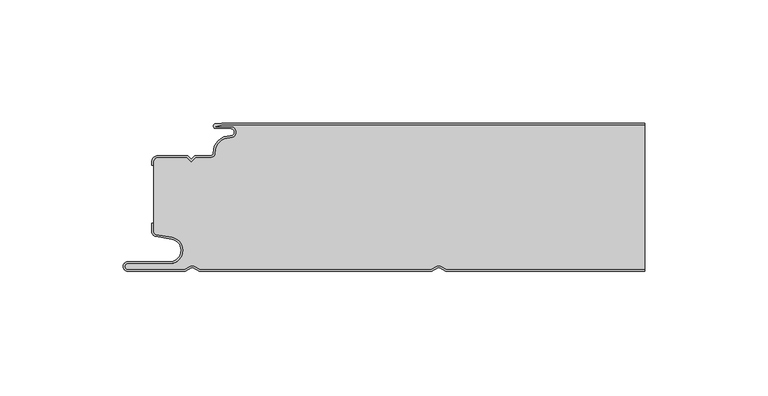
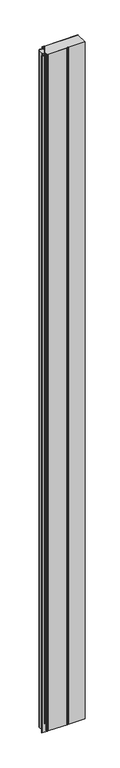
"""IFC4 building model written with IfcOpenShell, lengths in millimetres: plate geometry."""

from ifc_helpers import new_model, si_unit, point, frame, frame_2d, origin, origin_with_axes, place, context, project, spatial, polyline, circle_curve, trimmed, segment, composite_curve, outline, extrude, source, transform, mapped, element, save
from ifc_brep_helpers import plane_surface, cylinder_surface, revolved_surface, advanced_brep


def plate_904924c8(model_context):
    return source(origin(), model_context, "Body", "SolidModel", [
        advanced_brep(
        [(-71.6637731, -0.8, 3500.0), (-74.0000003, -1.3234618, 3500.0), (-68.0000003, -1.3234618, 3500.0), (-68.1134423, -5.9206625, 3500.0), (-74.1919837, -12.028303, 3500.0), (-76.0000003, -13.9234618, 3500.0), (-82.1686293, -13.9234618, 3500.0), (-84.0000002, -15.7548327, 3500.0), (-85.831371, -13.9234618, 3500.0), (-97.4, -13.9234618, 3500.0), (-99.2, -15.7234618, 3500.0), (-99.2, -44.0038437, 3500.0), (-98.2083778, -45.185613, 3500.0), (-91.7622998, -46.3222305, 3500.0), (-92.7, -57.0401924, 3500.0), (-109.7, -57.0401924, 3500.0), (-109.7, -59.2401924, 3500.0), (-86.6751286, -59.2401924, 3500.0), (-84.45, -57.9555137, 3500.0), (-82.7606357, -57.9494241, 3500.0), (-80.4557934, -59.2, 3500.0), (13.3944866, -59.2, 3500.0), (15.55, -57.9555137, 3500.0), (17.2393643, -57.9494241, 3500.0), (19.5442066, -59.2, 3500.0), (100.0, -59.2, 3500.0), (100.0, -0.8, 3500.0), (19.5442066, -59.2, 0.0), (17.2393643, -57.9494241, 0.0), (15.55, -57.9555137, 0.0), (13.3944866, -59.2, 0.0), (-80.4557934, -59.2, 0.0), (-82.7606357, -57.9494241, 0.0), (-84.45, -57.9555137, 0.0), (-86.6751286, -59.2401924, 0.0), (-109.7, -59.2401924, 0.0), (-109.7, -57.0401924, 0.0), (-92.7, -57.0401924, 0.0), (-91.7622998, -46.3222305, 0.0), (-98.2083778, -45.185613, 0.0), (-99.2, -44.0038437, 0.0), (-99.2, -15.7234618, 0.0), (-97.4, -13.9234618, 0.0), (-85.831371, -13.9234618, 0.0), (-84.0000002, -15.7548327, 0.0), (-82.1686293, -13.9234618, 0.0), (-76.0000003, -13.9234618, 0.0), (-74.2024882, -12.0288559, 0.0), (-68.1139291, -5.930521, 0.0), (-68.0000003, -1.3234618, 0.0), (-74.0000003, -1.3234618, 0.0), (-71.6637731, -0.8, 0.0), (100.0, -0.8, 0.0), (100.0, -59.2, 0.0)],
        [
            (0, 1),
            (1, 2),
            (2, 3, circle_curve(frame((-68.0000003, -3.6234618, 3500.0), z_axis=(0.0, 0.0, -1.0), x_axis=(1.0, 0.0, 0.0)), 2.3)),
            (3, 4, circle_curve(frame((-68.4000003, -11.7234618, 3500.0), z_axis=(0.0, 0.0, 1.0), x_axis=(1.0, 0.0, 0.0)), 5.8)),
            (4, 5, circle_curve(frame((-76.0000003, -12.1234618, 3500.0), z_axis=(0.0, 0.0, -1.0), x_axis=(1.0, 0.0, 0.0)), 1.8)),
            (5, 6),
            (6, 7),
            (7, 8),
            (8, 9),
            (9, 10, circle_curve(frame((-97.4, -15.7234618, 3500.0), z_axis=(0.0, 0.0, 1.0), x_axis=(1.0, 0.0, 0.0)), 1.8)),
            (10, 11),
            (11, 12, circle_curve(frame((-98.0, -44.0038437, 3500.0), z_axis=(0.0, 0.0, 1.0), x_axis=(1.0, 0.0, 0.0)), 1.2)),
            (12, 13),
            (13, 14, circle_curve(frame((-92.7, -51.6401924, 3500.0), z_axis=(0.0, 0.0, -1.0), x_axis=(1.0, 0.0, 0.0)), 5.4)),
            (14, 15),
            (15, 16, circle_curve(frame((-109.7, -58.1401924, 3500.0), z_axis=(0.0, 0.0, 1.0), x_axis=(1.0, 0.0, 0.0)), 1.1)),
            (16, 17),
            (17, 18),
            (18, 19, circle_curve(frame((-83.6, -59.4277569, 3500.0), z_axis=(0.0, 0.0, -1.0), x_axis=(1.0, 0.0, 0.0)), 1.7)),
            (19, 20),
            (20, 21),
            (21, 22),
            (22, 23, circle_curve(frame((16.4, -59.4277569, 3500.0), z_axis=(0.0, 0.0, -1.0), x_axis=(1.0, 0.0, 0.0)), 1.7)),
            (23, 24),
            (24, 25),
            (25, 26),
            (26, 0),
            (27, 28),
            (28, 29, circle_curve(frame((16.4, -59.4277569, 0.0), z_axis=(0.0, 0.0, 1.0), x_axis=(1.0, 0.0, 0.0)), 1.7)),
            (29, 30),
            (30, 31),
            (31, 32),
            (32, 33, circle_curve(frame((-83.6, -59.4277569, 0.0), z_axis=(0.0, 0.0, 1.0), x_axis=(1.0, 0.0, 0.0)), 1.7)),
            (33, 34),
            (34, 35),
            (35, 36, circle_curve(frame((-109.7, -58.1401924, 0.0), z_axis=(0.0, 0.0, -1.0), x_axis=(1.0, 0.0, 0.0)), 1.1)),
            (36, 37),
            (37, 38, circle_curve(frame((-92.7, -51.6401924, 0.0), z_axis=(0.0, 0.0, 1.0), x_axis=(1.0, 0.0, 0.0)), 5.4)),
            (38, 39),
            (39, 40, circle_curve(frame((-98.0, -44.0038437, 0.0), z_axis=(0.0, 0.0, -1.0), x_axis=(1.0, 0.0, 0.0)), 1.2)),
            (40, 41),
            (41, 42, circle_curve(frame((-97.4, -15.7234618, 0.0), z_axis=(0.0, 0.0, -1.0), x_axis=(1.0, 0.0, 0.0)), 1.8)),
            (42, 43),
            (43, 44),
            (44, 45),
            (45, 46),
            (46, 47, circle_curve(frame((-76.0000003, -12.1234618, 0.0), z_axis=(0.0, 0.0, 1.0), x_axis=(1.0, 0.0, 0.0)), 1.8)),
            (47, 48, circle_curve(frame((-68.4000003, -11.7234618, 0.0), z_axis=(0.0, 0.0, -1.0), x_axis=(1.0, 0.0, 0.0)), 5.8)),
            (48, 49, circle_curve(frame((-68.0000003, -3.6234618, 0.0), z_axis=(0.0, 0.0, 1.0), x_axis=(1.0, 0.0, 0.0)), 2.3)),
            (49, 50),
            (50, 51),
            (51, 52),
            (52, 53),
            (53, 27),
            (51, 0),
            (26, 52),
            (50, 1),
            (49, 2),
            (48, 3),
            (47, 4),
            (46, 5),
            (45, 6),
            (44, 7),
            (43, 8),
            (42, 9),
            (41, 10),
            (40, 11),
            (39, 12),
            (38, 13),
            (37, 14),
            (36, 15),
            (35, 16),
            (34, 17),
            (33, 18),
            (32, 19),
            (31, 20),
            (30, 21),
            (29, 22),
            (28, 23),
            (27, 24),
            (53, 25),
        ],
        [
            plane_surface(frame((-100.0, -60.0, 3500.0), z_axis=(0.0, 0.0, 1.0), x_axis=(0.0, 1.0, 0.0))),
            plane_surface(frame((-100.0, -60.0, 0.0), z_axis=(0.0, 0.0, -1.0), x_axis=(0.0, 1.0, 0.0))),
            plane_surface(frame((922.5460884, -0.8, 3500.0), z_axis=(0.0, 1.0, 0.0), x_axis=(0.0, 0.0, -1.0))),
            plane_surface(frame((-71.6637731, -0.8, 3500.0), z_axis=(-0.21864173282830812, 0.975805202212939, 0.0), x_axis=(0.0, 0.0, -1.0))),
            plane_surface(frame((-74.0000003, -1.3234618, 3500.0), z_axis=(0.0, -1.0, 0.0), x_axis=(0.0, 0.0, -1.0))),
            revolved_surface(polyline([(-65.7000003, -3.6234618, 0.0), (-65.7000003, -3.6234618, 3500.0)]), (-68.0000003, -3.6234618, 3500.0), (0.0, 0.0, -1.0)),
            cylinder_surface(frame((-68.4000003, -11.7234618, 3500.0), z_axis=(0.0, 0.0, 1.0), x_axis=(1.0, 0.0, 0.0)), 5.8),
            revolved_surface(polyline([(-74.2000003, -12.1234618, 0.0), (-74.2000003, -12.1234618, 3500.0)]), (-76.0000003, -12.1234618, 3500.0), (0.0, 0.0, -1.0)),
            plane_surface(frame((-76.0000003, -13.9234618, 3500.0), z_axis=(0.0, 1.0, 0.0), x_axis=(0.0, 0.0, -1.0))),
            plane_surface(frame((-82.1686293, -13.9234618, 3500.0), z_axis=(-0.7071067810231892, 0.7071067813499059, 0.0), x_axis=(0.0, 0.0, -1.0))),
            plane_surface(frame((-84.0000002, -15.7548327, 3500.0), z_axis=(0.7071067813499059, 0.7071067810231892, 0.0), x_axis=(0.0, 0.0, -1.0))),
            plane_surface(frame((-85.831371, -13.9234618, 3500.0), z_axis=(0.0, 1.0, 0.0), x_axis=(0.0, 0.0, -1.0))),
            cylinder_surface(frame((-97.4, -15.7234618, 3500.0), z_axis=(0.0, 0.0, 1.0), x_axis=(1.0, 0.0, 0.0)), 1.8),
            plane_surface(frame((-99.2, -17.1226667, 3500.0), z_axis=(-1.0, 0.0, 0.0), x_axis=(0.0, 0.0, -1.0))),
            cylinder_surface(frame((-98.0, -44.0038437, 3500.0), z_axis=(0.0, 0.0, 1.0), x_axis=(1.0, 0.0, 0.0)), 1.2),
            plane_surface(frame((-98.2083778, -45.185613, 3500.0), z_axis=(-0.1736481776669248, -0.984807753012209, 0.0), x_axis=(0.0, 0.0, -1.0))),
            revolved_surface(polyline([(-87.3, -51.6401924, 0.0), (-87.3, -51.6401924, 3500.0)]), (-92.7, -51.6401924, 3500.0), (0.0, 0.0, -1.0)),
            plane_surface(frame((-92.7, -57.0401924, 3500.0), z_axis=(0.0, 1.0, 0.0), x_axis=(0.0, 0.0, -1.0))),
            cylinder_surface(frame((-109.7, -58.1401924, 3500.0), z_axis=(0.0, 0.0, 1.0), x_axis=(1.0, 0.0, 0.0)), 1.1),
            plane_surface(frame((-109.7, -59.2401924, 3500.0), z_axis=(0.0, -1.0, 0.0), x_axis=(0.0, 0.0, -1.0))),
            plane_surface(frame((-86.6751286, -59.2401924, 3500.0), z_axis=(0.5000000299311667, -0.8660253865036709, 0.0), x_axis=(0.0, 0.0, -1.0))),
            revolved_surface(polyline([(-81.89999999999999, -59.4277569, 0.0), (-81.89999999999999, -59.4277569, 3500.0)]), (-83.6, -59.4277569, 3500.0), (0.0, 0.0, -1.0)),
            plane_surface(frame((-82.7606357, -57.9494241, 3500.0), z_axis=(-0.47690797328217005, -0.878953232555574, 0.0), x_axis=(0.0, 0.0, -1.0))),
            plane_surface(frame((-80.4557934, -59.2, 3500.0), z_axis=(0.0, -1.0, 0.0), x_axis=(0.0, 0.0, -1.0))),
            plane_surface(frame((13.3944866, -59.2, 3500.0), z_axis=(0.5000000299307237, -0.8660253865039267, 0.0), x_axis=(0.0, 0.0, -1.0))),
            revolved_surface(polyline([(18.099999999999998, -59.4277569, 0.0), (18.099999999999998, -59.4277569, 3500.0)]), (16.4, -59.4277569, 3500.0), (0.0, 0.0, -1.0)),
            plane_surface(frame((17.2393643, -57.9494241, 3500.0), z_axis=(-0.4769079732821666, -0.8789532325555759, 0.0), x_axis=(0.0, 0.0, -1.0))),
            plane_surface(frame((19.5442066, -59.2, 3500.0), z_axis=(0.0, -1.0, 0.0), x_axis=(0.0, 0.0, -1.0))),
            plane_surface(frame((100.0, 0.0, 3500.0), z_axis=(1.0, 0.0, 0.0), x_axis=(0.0, 0.0, -1.0))),
        ],
        [
            (0, [[1, 2, 3, 4, 5, 6, 7, 8, 9, 10, 11, 12, 13, 14, 15, 16, 17, 18, 19, 20, 21, 22, 23, 24, 25, 26, 27]]),
            (1, [[28, 29, 30, 31, 32, 33, 34, 35, 36, 37, 38, 39, 40, 41, 42, 43, 44, 45, 46, 47, 48, 49, 50, 51, 52, 53, 54]]),
            (2, [[55, -27, 56, -52]]),
            (3, [[-1, -55, -51, 57]]),
            (4, [[-2, -57, -50, 58]]),
            (5, [[-3, -58, -49, 59]]),
            (6, [[-4, -59, -48, 60]]),
            (7, [[-5, -60, -47, 61]]),
            (8, [[-6, -61, -46, 62]]),
            (9, [[-7, -62, -45, 63]]),
            (10, [[-8, -63, -44, 64]]),
            (11, [[-9, -64, -43, 65]]),
            (12, [[-10, -65, -42, 66]]),
            (13, [[-11, -66, -41, 67]]),
            (14, [[-12, -67, -40, 68]]),
            (15, [[-13, -68, -39, 69]]),
            (16, [[-14, -69, -38, 70]]),
            (17, [[-15, -70, -37, 71]]),
            (18, [[-16, -71, -36, 72]]),
            (19, [[-17, -72, -35, 73]]),
            (20, [[-18, -73, -34, 74]]),
            (21, [[-19, -74, -33, 75]]),
            (22, [[-20, -75, -32, 76]]),
            (23, [[-21, -76, -31, 77]]),
            (24, [[-22, -77, -30, 78]]),
            (25, [[-23, -78, -29, 79]]),
            (26, [[-24, -79, -28, 80]]),
            (27, [[-80, -54, 81, -25]]),
            (28, [[-26, -81, -53, -56]]),
        ],
    ),
        extrude(outline(composite_curve([segment(trimmed(circle_curve(frame_2d((-98.0, -43.9636514)), 2.0), [point((-98.3472964, -45.9332669))], [point((-100.0, -43.9636514))], False, "CARTESIAN"), True, "CONTINUOUS"), segment(polyline([(-100.0, -43.9636514), (-100.0, -40.6), (-99.2, -40.6), (-99.2, -43.9636514)]), True, "CONTINUOUS"), segment(trimmed(circle_curve(frame_2d((-98.0, -43.9636514)), 1.2), [point((-99.2, -43.9636514))], [point((-98.2083778, -45.1454207))], True, "CARTESIAN"), True, "CONTINUOUS"), segment(polyline([(-98.2083778, -45.1454207), (-91.7622998, -46.2820381)]), True, "CONTINUOUS"), segment(trimmed(circle_curve(frame_2d((-92.7, -51.6)), 5.4), [point((-91.7622998, -46.2820381))], [point((-92.7, -57.0))], False, "CARTESIAN"), True, "CONTINUOUS"), segment(polyline([(-92.7, -57.0), (-109.7, -57.0)]), True, "CONTINUOUS"), segment(trimmed(circle_curve(frame_2d((-109.7, -58.1)), 1.1), [point((-109.7, -57.0))], [point((-109.7, -59.2))], True, "CARTESIAN"), True, "CONTINUOUS"), segment(polyline([(-109.7, -59.2), (-86.6751286, -59.2), (-84.45, -57.9153213)]), True, "CONTINUOUS"), segment(trimmed(circle_curve(frame_2d((-83.6, -59.3875645)), 1.7), [point((-84.45, -57.9153213))], [point((-82.7606357, -57.9092318))], False, "CARTESIAN"), True, "CONTINUOUS"), segment(polyline([(-82.7606357, -57.9092318), (-80.4557934, -59.1598076), (13.3944866, -59.1598076), (15.5499999, -57.9153213)]), True, "CONTINUOUS"), segment(trimmed(circle_curve(frame_2d((16.4, -59.3875645)), 1.7), [point((15.5499999, -57.9153213))], [point((17.2393643, -57.9092318))], False, "CARTESIAN"), True, "CONTINUOUS"), segment(polyline([(17.2393643, -57.9092318), (19.5442066, -59.1598076), (100.0, -59.1598076), (100.0, -59.9598076), (19.341154, -59.9598076), (16.85, -58.6081416)]), True, "CONTINUOUS"), segment(trimmed(circle_curve(frame_2d((16.4, -59.3875645)), 0.9), [point((16.85, -58.6081416))], [point((15.95, -58.6081416))], True, "CARTESIAN"), True, "CONTINUOUS"), segment(polyline([(15.95, -58.6081416), (13.608846, -59.9598076), (-80.658846, -59.9598076), (-83.15, -58.6081416)]), True, "CONTINUOUS"), segment(trimmed(circle_curve(frame_2d((-83.6, -59.3875645)), 0.9), [point((-83.15, -58.6081416))], [point((-84.05, -58.6081416))], True, "CARTESIAN"), True, "CONTINUOUS"), segment(polyline([(-84.05, -58.6081416), (-86.4607692, -60.0), (-109.7, -60.0)]), True, "CONTINUOUS"), segment(trimmed(circle_curve(frame_2d((-109.7, -58.1)), 1.9), [point((-109.7, -60.0))], [point((-109.7, -56.2))], False, "CARTESIAN"), True, "CONTINUOUS"), segment(polyline([(-109.7, -56.2), (-92.7, -56.2)]), True, "CONTINUOUS"), segment(trimmed(circle_curve(frame_2d((-92.7, -51.6)), 4.6), [point((-92.7, -56.2))], [point((-91.9012184, -47.0698843))], True, "CARTESIAN"), True, "CONTINUOUS"), segment(polyline([(-91.9012184, -47.0698843), (-98.3472964, -45.9332669)]), True, "CONTINUOUS")], self_intersect=False)), origin_with_axes(), (0.0, 0.0, 1.0), 3500.0),
        advanced_brep(
        [(-71.6850913, 0.0, 3500.0), (-74.0000003, -0.1234618, 3500.0), (-74.0000003, -2.1234618, 3500.0), (-68.0000003, -2.1234618, 3500.0), (-68.0739842, -5.1216362, 3500.0), (-74.990878, -12.0703501, 3500.0), (-76.0000003, -13.1234618, 3500.0), (-82.5000001, -13.1234618, 3500.0), (-84.0000002, -14.6234618, 3500.0), (-85.5000001, -13.1234618, 3500.0), (-97.4, -13.1234618, 3500.0), (-100.0, -15.7234618, 3500.0), (-100.0, -17.1226667, 3500.0), (-99.2, -17.1226667, 3500.0), (-99.2, -15.7234618, 3500.0), (-97.4, -13.9234618, 3500.0), (-85.831371, -13.9234618, 3500.0), (-84.0000002, -15.7548327, 3500.0), (-82.1686293, -13.9234618, 3500.0), (-76.0000003, -13.9234618, 3500.0), (-74.2024882, -12.0288559, 3500.0), (-68.1139291, -5.930521, 3500.0), (-68.0000003, -1.3234618, 3500.0), (-74.0000003, -1.3234618, 3500.0), (-71.6637731, -0.8, 3500.0), (100.0, -0.8, 3500.0), (100.0, 0.0, 3500.0), (-71.6637731, -0.8, 0.0), (-74.0000003, -1.3234618, 0.0), (-68.0000003, -1.3234618, 0.0), (-68.1134423, -5.9206625, 0.0), (-74.1919837, -12.028303, 0.0), (-76.0000003, -13.9234618, 0.0), (-82.1686293, -13.9234618, 0.0), (-84.0000002, -15.7548327, 0.0), (-85.831371, -13.9234618, 0.0), (-97.4, -13.9234618, 0.0), (-99.2, -15.7234618, 0.0), (-99.2, -17.1226667, 0.0), (-100.0, -17.1226667, 0.0), (-100.0, -15.7234618, 0.0), (-97.4, -13.1234618, 0.0), (-85.5000001, -13.1234618, 0.0), (-84.0000002, -14.6234618, 0.0), (-82.5000001, -13.1234618, 0.0), (-76.0000003, -13.1234618, 0.0), (-75.0013825, -12.070903, 0.0), (-68.0744711, -5.1314947, 0.0), (-68.0000003, -2.1234618, 0.0), (-74.0000003, -2.1234618, 0.0), (-74.0000003, -0.1234618, 0.0), (-71.6850913, 0.0, 0.0), (100.0, 0.0, 0.0), (100.0, -0.8, 0.0)],
        [
            (0, 1),
            (1, 2, circle_curve(frame((-74.0000003, -1.1234618, 3500.0), z_axis=(0.0, 0.0, 1.0), x_axis=(1.0, 0.0, 0.0)), 1.0)),
            (2, 3),
            (3, 4, circle_curve(frame((-68.0000003, -3.6234618, 3500.0), z_axis=(0.0, 0.0, -1.0), x_axis=(1.0, 0.0, 0.0)), 1.5)),
            (4, 5, circle_curve(frame((-68.4000003, -11.7234618, 3500.0), z_axis=(0.0, 0.0, 1.0), x_axis=(1.0, 0.0, 0.0)), 6.6)),
            (5, 6, circle_curve(frame((-76.0000003, -12.1234618, 3500.0), z_axis=(0.0, 0.0, -1.0), x_axis=(1.0, 0.0, 0.0)), 1.0)),
            (6, 7),
            (7, 8),
            (8, 9),
            (9, 10),
            (10, 11, circle_curve(frame((-97.4, -15.7234618, 3500.0), z_axis=(0.0, 0.0, 1.0), x_axis=(1.0, 0.0, 0.0)), 2.6)),
            (11, 12),
            (12, 13),
            (13, 14),
            (14, 15, circle_curve(frame((-97.4, -15.7234618, 3500.0), z_axis=(0.0, 0.0, -1.0), x_axis=(1.0, 0.0, 0.0)), 1.8)),
            (15, 16),
            (16, 17),
            (17, 18),
            (18, 19),
            (19, 20, circle_curve(frame((-76.0000003, -12.1234618, 3500.0), z_axis=(0.0, 0.0, 1.0), x_axis=(1.0, 0.0, 0.0)), 1.8)),
            (20, 21, circle_curve(frame((-68.4000003, -11.7234618, 3500.0), z_axis=(0.0, 0.0, -1.0), x_axis=(1.0, 0.0, 0.0)), 5.8)),
            (21, 22, circle_curve(frame((-68.0000003, -3.6234618, 3500.0), z_axis=(0.0, 0.0, 1.0), x_axis=(1.0, 0.0, 0.0)), 2.3)),
            (22, 23),
            (23, 24),
            (24, 25),
            (25, 26),
            (26, 0),
            (27, 28),
            (28, 29),
            (29, 30, circle_curve(frame((-68.0000003, -3.6234618, 0.0), z_axis=(0.0, 0.0, -1.0), x_axis=(1.0, 0.0, 0.0)), 2.3)),
            (30, 31, circle_curve(frame((-68.4000003, -11.7234618, 0.0), z_axis=(0.0, 0.0, 1.0), x_axis=(1.0, 0.0, 0.0)), 5.8)),
            (31, 32, circle_curve(frame((-76.0000003, -12.1234618, 0.0), z_axis=(0.0, 0.0, -1.0), x_axis=(1.0, 0.0, 0.0)), 1.8)),
            (32, 33),
            (33, 34),
            (34, 35),
            (35, 36),
            (36, 37, circle_curve(frame((-97.4, -15.7234618, 0.0), z_axis=(0.0, 0.0, 1.0), x_axis=(1.0, 0.0, 0.0)), 1.8)),
            (37, 38),
            (38, 39),
            (39, 40),
            (40, 41, circle_curve(frame((-97.4, -15.7234618, 0.0), z_axis=(0.0, 0.0, -1.0), x_axis=(1.0, 0.0, 0.0)), 2.6)),
            (41, 42),
            (42, 43),
            (43, 44),
            (44, 45),
            (45, 46, circle_curve(frame((-76.0000003, -12.1234618, 0.0), z_axis=(0.0, 0.0, 1.0), x_axis=(1.0, 0.0, 0.0)), 1.0)),
            (46, 47, circle_curve(frame((-68.4000003, -11.7234618, 0.0), z_axis=(0.0, 0.0, -1.0), x_axis=(1.0, 0.0, 0.0)), 6.6)),
            (47, 48, circle_curve(frame((-68.0000003, -3.6234618, 0.0), z_axis=(0.0, 0.0, 1.0), x_axis=(1.0, 0.0, 0.0)), 1.5)),
            (48, 49),
            (49, 50, circle_curve(frame((-74.0000003, -1.1234618, 0.0), z_axis=(0.0, 0.0, -1.0), x_axis=(1.0, 0.0, 0.0)), 1.0)),
            (50, 51),
            (51, 52),
            (52, 53),
            (53, 27),
            (51, 0),
            (26, 52),
            (50, 1),
            (49, 2),
            (48, 3),
            (47, 4),
            (46, 5),
            (45, 6),
            (44, 7),
            (43, 8),
            (42, 9),
            (41, 10),
            (40, 11),
            (39, 12),
            (38, 13),
            (37, 14),
            (36, 15),
            (35, 16),
            (34, 17),
            (33, 18),
            (32, 19),
            (31, 20),
            (30, 21),
            (29, 22),
            (28, 23),
            (27, 24),
            (53, 25),
        ],
        [
            plane_surface(frame((-100.0, 0.0, 3500.0), z_axis=(0.0, 0.0, 1.0), x_axis=(0.0, 1.0, 0.0))),
            plane_surface(frame((-100.0, 0.0, 0.0), z_axis=(0.0, 0.0, -1.0), x_axis=(0.0, 1.0, 0.0))),
            plane_surface(frame((922.5460884, 0.0, 3500.0), z_axis=(0.0, 1.0, 0.0), x_axis=(0.0, 0.0, -1.0))),
            plane_surface(frame((-71.6850913, 0.0, 3500.0), z_axis=(-0.053257642916100786, 0.9985808046778293, 0.0), x_axis=(0.0, 0.0, -1.0))),
            cylinder_surface(frame((-74.0000003, -1.1234618, 3500.0), z_axis=(0.0, 0.0, 1.0), x_axis=(1.0, 0.0, 0.0)), 1.0),
            plane_surface(frame((-74.0000003, -2.1234618, 3500.0), z_axis=(0.0, -1.0, 0.0), x_axis=(0.0, 0.0, -1.0))),
            revolved_surface(polyline([(-66.5000003, -3.6234618, 0.0), (-66.5000003, -3.6234618, 3500.0)]), (-68.0000003, -3.6234618, 3500.0), (0.0, 0.0, -1.0)),
            cylinder_surface(frame((-68.4000003, -11.7234618, 3500.0), z_axis=(0.0, 0.0, 1.0), x_axis=(1.0, 0.0, 0.0)), 6.6),
            revolved_surface(polyline([(-75.0000003, -12.1234618, 0.0), (-75.0000003, -12.1234618, 3500.0)]), (-76.0000003, -12.1234618, 3500.0), (0.0, 0.0, -1.0)),
            plane_surface(frame((-76.0000003, -13.1234618, 3500.0), z_axis=(0.0, 1.0, 0.0), x_axis=(0.0, 0.0, -1.0))),
            plane_surface(frame((-82.5000001, -13.1234618, 3500.0), z_axis=(-0.7071067810229229, 0.7071067813501721, 0.0), x_axis=(0.0, 0.0, -1.0))),
            plane_surface(frame((-84.0000002, -14.6234618, 3500.0), z_axis=(0.7071067813500019, 0.7071067810230931, 0.0), x_axis=(0.0, 0.0, -1.0))),
            plane_surface(frame((-85.5000001, -13.1234618, 3500.0), z_axis=(0.0, 1.0, 0.0), x_axis=(0.0, 0.0, -1.0))),
            cylinder_surface(frame((-97.4, -15.7234618, 3500.0), z_axis=(0.0, 0.0, 1.0), x_axis=(1.0, 0.0, 0.0)), 2.6),
            plane_surface(frame((-100.0, -15.7234618, 3500.0), z_axis=(-1.0, 0.0, 0.0), x_axis=(0.0, 0.0, -1.0))),
            plane_surface(frame((-100.0, -17.1226667, 3500.0), z_axis=(0.0, -1.0, 0.0), x_axis=(0.0, 0.0, -1.0))),
            plane_surface(frame((-99.2, -17.1226667, 3500.0), z_axis=(1.0, 0.0, 0.0), x_axis=(0.0, 0.0, -1.0))),
            revolved_surface(polyline([(-95.60000000000001, -15.7234618, 0.0), (-95.60000000000001, -15.7234618, 3500.0)]), (-97.4, -15.7234618, 3500.0), (0.0, 0.0, -1.0)),
            plane_surface(frame((-97.4, -13.9234618, 3500.0), z_axis=(0.0, -1.0, 0.0), x_axis=(0.0, 0.0, -1.0))),
            plane_surface(frame((-85.831371, -13.9234618, 3500.0), z_axis=(-0.7071067813500018, -0.7071067810230932, 0.0), x_axis=(0.0, 0.0, -1.0))),
            plane_surface(frame((-84.0000002, -15.7548327, 3500.0), z_axis=(0.7071067810229222, -0.7071067813501728, 0.0), x_axis=(0.0, 0.0, -1.0))),
            plane_surface(frame((-82.1686293, -13.9234618, 3500.0), z_axis=(0.0, -1.0, 0.0), x_axis=(0.0, 0.0, -1.0))),
            cylinder_surface(frame((-76.0000003, -12.1234618, 3500.0), z_axis=(0.0, 0.0, 1.0), x_axis=(1.0, 0.0, 0.0)), 1.8),
            revolved_surface(polyline([(-62.600000300000005, -11.7234618, 0.0), (-62.600000300000005, -11.7234618, 3500.0)]), (-68.4000003, -11.7234618, 3500.0), (0.0, 0.0, -1.0)),
            cylinder_surface(frame((-68.0000003, -3.6234618, 3500.0), z_axis=(0.0, 0.0, 1.0), x_axis=(1.0, 0.0, 0.0)), 2.3),
            plane_surface(frame((-68.0000003, -1.3234618, 3500.0), z_axis=(0.0, 1.0, 0.0), x_axis=(0.0, 0.0, -1.0))),
            plane_surface(frame((-74.0000003, -1.3234618, 3500.0), z_axis=(0.21864173282829105, -0.9758052022129429, 0.0), x_axis=(0.0, 0.0, -1.0))),
            plane_surface(frame((-71.6637731, -0.8, 3500.0), z_axis=(0.0, -1.0, 0.0), x_axis=(0.0, 0.0, -1.0))),
            plane_surface(frame((100.0, 0.0, 3500.0), z_axis=(1.0, 0.0, 0.0), x_axis=(0.0, 0.0, -1.0))),
        ],
        [
            (0, [[1, 2, 3, 4, 5, 6, 7, 8, 9, 10, 11, 12, 13, 14, 15, 16, 17, 18, 19, 20, 21, 22, 23, 24, 25, 26, 27]]),
            (1, [[28, 29, 30, 31, 32, 33, 34, 35, 36, 37, 38, 39, 40, 41, 42, 43, 44, 45, 46, 47, 48, 49, 50, 51, 52, 53, 54]]),
            (2, [[55, -27, 56, -52]]),
            (3, [[-1, -55, -51, 57]]),
            (4, [[-2, -57, -50, 58]]),
            (5, [[-3, -58, -49, 59]]),
            (6, [[-4, -59, -48, 60]]),
            (7, [[-5, -60, -47, 61]]),
            (8, [[-6, -61, -46, 62]]),
            (9, [[-7, -62, -45, 63]]),
            (10, [[-8, -63, -44, 64]]),
            (11, [[-9, -64, -43, 65]]),
            (12, [[-10, -65, -42, 66]]),
            (13, [[-11, -66, -41, 67]]),
            (14, [[-12, -67, -40, 68]]),
            (15, [[-13, -68, -39, 69]]),
            (16, [[-14, -69, -38, 70]]),
            (17, [[-15, -70, -37, 71]]),
            (18, [[-16, -71, -36, 72]]),
            (19, [[-17, -72, -35, 73]]),
            (20, [[-18, -73, -34, 74]]),
            (21, [[-19, -74, -33, 75]]),
            (22, [[-20, -75, -32, 76]]),
            (23, [[-21, -76, -31, 77]]),
            (24, [[-22, -77, -30, 78]]),
            (25, [[-23, -78, -29, 79]]),
            (26, [[-24, -79, -28, 80]]),
            (27, [[-80, -54, 81, -25]]),
            (28, [[-26, -81, -53, -56]]),
        ],
    ),
    ])


if __name__ == "__main__":
    model = new_model("IFC4")
    model_context = context("Model", 3, world=origin())
    ifc_project = project(units=[si_unit("LENGTHUNIT", "METRE", prefix="MILLI")], contexts=[model_context])
    site = spatial("IfcSite", under=ifc_project)
    building = spatial("IfcBuilding", under=site)
    placement = place(None, origin())
    plate_shape = plate_904924c8(model_context)
    element("IfcPlate", 1, at=placement, inside=building, context=model_context, shape_type="MappedRepresentation", body=[
        mapped(plate_shape, transform((0.0, 0.0, 0.0), x_axis=(1.0, 0.0, 0.0), y_axis=(0.0, 1.0, 0.0), z_axis=(0.0, 0.0, 1.0))),
    ])
    save(model, "model.ifc")
